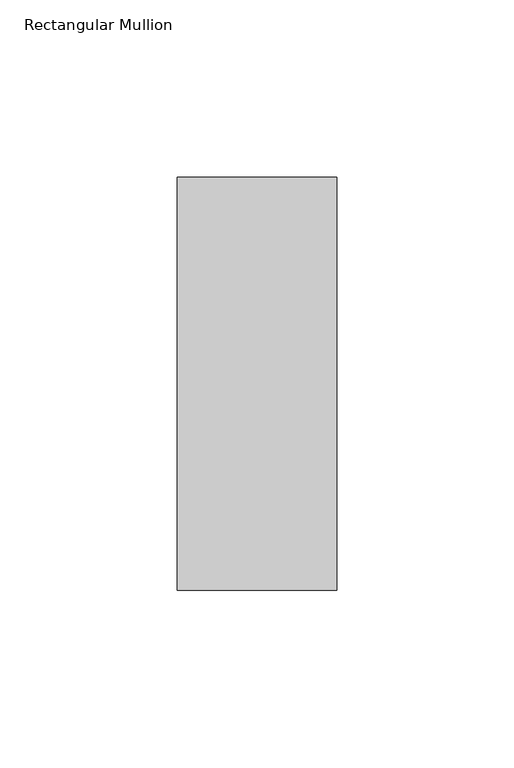
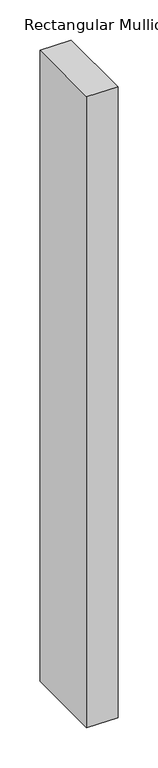
"""IFC4 building model written with IfcOpenShell, lengths in millimetres: member geometry, Rectangular Mullion."""

from ifc_helpers import new_model, si_unit, frame, origin, place, context, project, spatial, polyline, outline, extrude, source, transform, mapped, element, save


def rectangular_mullion_137a4d87(model_context):
    return source(origin(), model_context, "Body", "SweptSolid", [
        extrude(outline(polyline([(0.0, 73.875), (0.0, -42.8257813), (-45.0453125, -42.8257813), (-45.0453125, 73.875), (0.0, 73.875)])), frame((0.0, 0.0, -960.762445), z_axis=(0.0, 0.0, 1.0), x_axis=(1.0, 0.0, 0.0)), (0.0, 0.0, 1.0), 960.762445),
    ])


if __name__ == "__main__":
    model = new_model("IFC4")
    model_context = context("Model", 3, world=origin())
    ifc_project = project(units=[si_unit("LENGTHUNIT", "METRE", prefix="MILLI")], contexts=[model_context])
    site = spatial("IfcSite", under=ifc_project)
    building = spatial("IfcBuilding", under=site)
    placement = place(None, origin())
    rectangular_mullion_shape = rectangular_mullion_137a4d87(model_context)
    element("IfcMember", 1, ObjectType="Rectangular Mullion", at=placement, inside=building, context=model_context, shape_type="MappedRepresentation", body=[
        mapped(rectangular_mullion_shape, transform((0.0, 0.0, 0.0), x_axis=(1.0, 0.0, 0.0), y_axis=(0.0, 1.0, 0.0), z_axis=(0.0, 0.0, 1.0))),
    ])
    save(model, "model.ifc")
